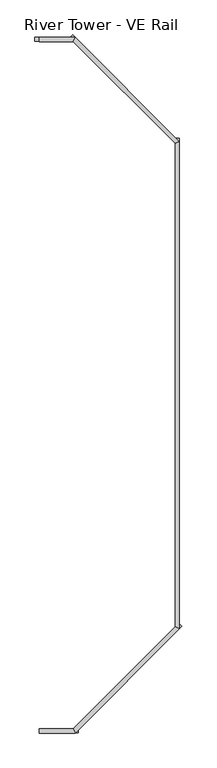
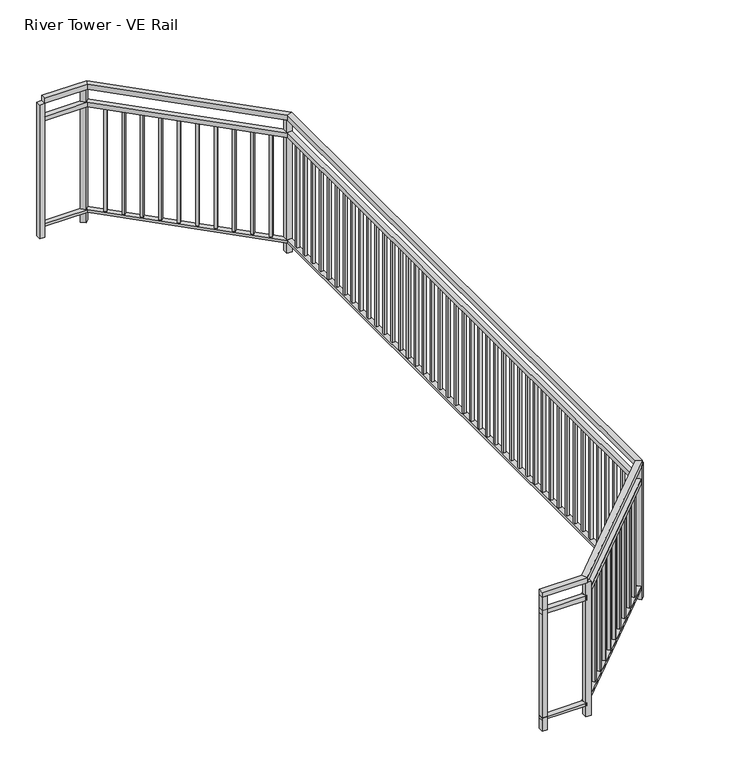
"""IFC4 building model written with IfcOpenShell, lengths in millimetres: railing geometry, River Tower - VE Rail."""

from ifc_helpers import new_model, si_unit, frame, origin, origin_with_axes, place, context, project, spatial, polyline, outline, extrude, faceted_brep, source, transform, mapped, element, save


def river_tower_ve_rail_48cc1a16(model_context):
    return source(origin(), model_context, "Body", "SolidModel", [
        faceted_brep([(1608.8862485, 1457.9109771, 1028.7), (1608.8862485, 1457.9109771, 1066.8), (1608.8862485, 1497.5984771, 1066.8), (1608.8862485, 1497.5984771, 1028.7), (1935.0570795, 1457.9109771, 1028.7), (1935.0570795, 1457.9109771, 1066.8), (1918.6179787, 1497.5984771, 1066.8), (1918.6179787, 1497.5984771, 1028.7), (2879.6799985, 2402.5338961, 1028.7), (2879.6799985, 2402.5338961, 1066.8), (2839.9924985, 2418.9729969, 1066.8), (2839.9924985, 2418.9729969, 1028.7), (2879.6799985, 6814.0755581, 1028.7), (2879.6799985, 6814.0755581, 1066.8), (2839.9924985, 6797.6364573, 1066.8), (2839.9924985, 6797.6364573, 1028.7), (1935.0570795, 7758.6984771, 1028.7), (1935.0570795, 7758.6984771, 1066.8), (1918.6179787, 7719.0109771, 1066.8), (1918.6179787, 7719.0109771, 1028.7), (1608.8862485, 7758.6984771, 1028.7), (1608.8862485, 7719.0109771, 1028.7), (1608.8862485, 7719.0109771, 1066.8), (1608.8862485, 7758.6984771, 1066.8)], [[[0, 1, 2, 3]], [[1, 0, 4, 5]], [[2, 1, 5, 6]], [[3, 2, 6, 7]], [[0, 3, 7, 4]], [[5, 4, 8, 9]], [[6, 5, 9, 10]], [[7, 6, 10, 11]], [[4, 7, 11, 8]], [[9, 8, 12, 13]], [[10, 9, 13, 14]], [[11, 10, 14, 15]], [[8, 11, 15, 12]], [[13, 12, 16, 17]], [[14, 13, 17, 18]], [[15, 14, 18, 19]], [[12, 15, 19, 16]], [[20, 21, 22, 23]], [[17, 16, 20, 23]], [[18, 17, 23, 22]], [[19, 18, 22, 21]], [[16, 19, 21, 20]]]),
        faceted_brep([(1608.8862485, 1460.0441802, 893.1671875), (1608.8862485, 1460.0441802, 927.1), (1608.8862485, 1495.465274, 927.1), (1608.8862485, 1495.465274, 893.1671875), (1934.1734778, 1460.0441802, 893.1671875), (1934.1734778, 1460.0441802, 927.1), (1919.5015804, 1495.465274, 927.1), (1919.5015804, 1495.465274, 893.1671875), (2877.5467954, 2403.4174978, 893.1671875), (2877.5467954, 2403.4174978, 927.1), (2842.1257016, 2418.0893952, 927.1), (2842.1257016, 2418.0893952, 893.1671875), (2877.5467954, 6813.1919564, 893.1671875), (2877.5467954, 6813.1919564, 927.1), (2842.1257016, 6798.520059, 927.1), (2842.1257016, 6798.520059, 893.1671875), (1934.1734778, 7756.565274, 893.1671875), (1934.1734778, 7756.565274, 927.1), (1919.5015804, 7721.1441802, 927.1), (1919.5015804, 7721.1441802, 893.1671875), (1608.8862485, 7756.565274, 893.1671875), (1608.8862485, 7721.1441802, 893.1671875), (1608.8862485, 7721.1441802, 927.1), (1608.8862485, 7756.565274, 927.1)], [[[0, 1, 2, 3]], [[1, 0, 4, 5]], [[2, 1, 5, 6]], [[3, 2, 6, 7]], [[0, 3, 7, 4]], [[5, 4, 8, 9]], [[6, 5, 9, 10]], [[7, 6, 10, 11]], [[4, 7, 11, 8]], [[9, 8, 12, 13]], [[10, 9, 13, 14]], [[11, 10, 14, 15]], [[8, 11, 15, 12]], [[13, 12, 16, 17]], [[14, 13, 17, 18]], [[15, 14, 18, 19]], [[12, 15, 19, 16]], [[20, 21, 22, 23]], [[17, 16, 20, 23]], [[18, 17, 23, 22]], [[19, 18, 22, 21]], [[16, 19, 21, 20]]]),
        faceted_brep([(1608.8862485, 1496.0732865, 82.55), (1608.8862485, 1459.4361677, 82.55), (1608.8862485, 1459.4361677, 101.6127), (1608.8862485, 1496.0732865, 101.6127), (1919.2497334, 1496.0732865, 82.55), (1934.4253248, 1459.4361677, 82.55), (1934.4253248, 1459.4361677, 101.6127), (1919.2497334, 1496.0732865, 101.6127), (2841.5176891, 2418.3412422, 82.55), (2878.1548079, 2403.1656507, 82.55), (2878.1548079, 2403.1656507, 101.6127), (2841.5176891, 2418.3412422, 101.6127), (2841.5176891, 6798.2682119, 82.55), (2878.1548079, 6813.4438034, 82.55), (2878.1548079, 6813.4438034, 101.6127), (2841.5176891, 6798.2682119, 101.6127), (1919.2497334, 7720.5361677, 82.55), (1934.4253248, 7757.1732865, 82.55), (1934.4253248, 7757.1732865, 101.6127), (1919.2497334, 7720.5361677, 101.6127), (1608.8862485, 7720.5361677, 82.55), (1608.8862485, 7720.5361677, 101.6127), (1608.8862485, 7757.1732865, 101.6127), (1608.8862485, 7757.1732865, 82.55)], [[[0, 1, 2, 3]], [[1, 0, 4, 5]], [[2, 1, 5, 6]], [[3, 2, 6, 7]], [[0, 3, 7, 4]], [[5, 4, 8, 9]], [[6, 5, 9, 10]], [[7, 6, 10, 11]], [[4, 7, 11, 8]], [[9, 8, 12, 13]], [[10, 9, 13, 14]], [[11, 10, 14, 15]], [[8, 11, 15, 12]], [[13, 12, 16, 17]], [[14, 13, 17, 18]], [[15, 14, 18, 19]], [[12, 15, 19, 16]], [[20, 21, 22, 23]], [[17, 16, 20, 23]], [[18, 17, 23, 22]], [[19, 18, 22, 21]], [[16, 19, 21, 20]]]),
        extrude(outline(polyline([(2011.6555945, 7640.5662775), (1998.1852103, 7654.0366617), (2011.6555945, 7667.5070459), (2025.1259787, 7654.0366617), (2011.6555945, 7640.5662775)])), frame((0.0, 0.0, 101.6127), z_axis=(0.0, 0.0, 1.0), x_axis=(1.0, 0.0, 0.0)), (0.0, 0.0, 1.0), 791.5544875),
        extrude(outline(polyline([(2096.4736599, 7555.7482121), (2083.0032757, 7569.2185963), (2096.4736599, 7582.6889805), (2109.9440441, 7569.2185963), (2096.4736599, 7555.7482121)])), frame((0.0, 0.0, 101.6127), z_axis=(0.0, 0.0, 1.0), x_axis=(1.0, 0.0, 0.0)), (0.0, 0.0, 1.0), 791.5544875),
        extrude(outline(polyline([(2181.2917253, 7470.9301467), (2167.8213411, 7484.4005309), (2181.2917253, 7497.8709151), (2194.7621095, 7484.4005309), (2181.2917253, 7470.9301467)])), frame((0.0, 0.0, 101.6127), z_axis=(0.0, 0.0, 1.0), x_axis=(1.0, 0.0, 0.0)), (0.0, 0.0, 1.0), 791.5544875),
        extrude(outline(polyline([(2266.1097907, 7386.1120813), (2252.6394065, 7399.5824655), (2266.1097907, 7413.0528497), (2279.5801749, 7399.5824655), (2266.1097907, 7386.1120813)])), frame((0.0, 0.0, 101.6127), z_axis=(0.0, 0.0, 1.0), x_axis=(1.0, 0.0, 0.0)), (0.0, 0.0, 1.0), 791.5544875),
        extrude(outline(polyline([(2350.9278561, 7301.2940159), (2337.4574719, 7314.7644001), (2350.9278561, 7328.2347843), (2364.3982403, 7314.7644001), (2350.9278561, 7301.2940159)])), frame((0.0, 0.0, 101.6127), z_axis=(0.0, 0.0, 1.0), x_axis=(1.0, 0.0, 0.0)), (0.0, 0.0, 1.0), 791.5544875),
        extrude(outline(polyline([(2435.7459215, 7216.4759505), (2422.2755373, 7229.9463347), (2435.7459215, 7243.4167189), (2449.2163057, 7229.9463347), (2435.7459215, 7216.4759505)])), frame((0.0, 0.0, 101.6127), z_axis=(0.0, 0.0, 1.0), x_axis=(1.0, 0.0, 0.0)), (0.0, 0.0, 1.0), 791.5544875),
        extrude(outline(polyline([(2520.5639869, 7131.6578851), (2507.0936027, 7145.1282693), (2520.5639869, 7158.5986535), (2534.0343711, 7145.1282693), (2520.5639869, 7131.6578851)])), frame((0.0, 0.0, 101.6127), z_axis=(0.0, 0.0, 1.0), x_axis=(1.0, 0.0, 0.0)), (0.0, 0.0, 1.0), 791.5544875),
        extrude(outline(polyline([(2605.3820523, 7046.8398197), (2591.9116681, 7060.3102039), (2605.3820523, 7073.7805881), (2618.8524365, 7060.3102039), (2605.3820523, 7046.8398197)])), frame((0.0, 0.0, 101.6127), z_axis=(0.0, 0.0, 1.0), x_axis=(1.0, 0.0, 0.0)), (0.0, 0.0, 1.0), 791.5544875),
        extrude(outline(polyline([(2690.2001177, 6962.0217543), (2676.7297335, 6975.4921385), (2690.2001177, 6988.9625227), (2703.6705019, 6975.4921385), (2690.2001177, 6962.0217543)])), frame((0.0, 0.0, 101.6127), z_axis=(0.0, 0.0, 1.0), x_axis=(1.0, 0.0, 0.0)), (0.0, 0.0, 1.0), 791.5544875),
        extrude(outline(polyline([(2775.0181831, 6877.2036889), (2761.5477989, 6890.6740731), (2775.0181831, 6904.1444573), (2788.4885673, 6890.6740731), (2775.0181831, 6877.2036889)])), frame((0.0, 0.0, 101.6127), z_axis=(0.0, 0.0, 1.0), x_axis=(1.0, 0.0, 0.0)), (0.0, 0.0, 1.0), 791.5544875),
        extrude(outline(polyline([(2850.3112485, 6696.4423131), (2850.3112485, 6715.4923131), (2869.3612485, 6715.4923131), (2869.3612485, 6696.4423131), (2850.3112485, 6696.4423131)])), frame((0.0, 0.0, 101.6127), z_axis=(0.0, 0.0, 1.0), x_axis=(1.0, 0.0, 0.0)), (0.0, 0.0, 1.0), 791.5544875),
        extrude(outline(polyline([(2850.3112485, 6596.5536185), (2850.3112485, 6615.6036185), (2869.3612485, 6615.6036185), (2869.3612485, 6596.5536185), (2850.3112485, 6596.5536185)])), frame((0.0, 0.0, 101.6127), z_axis=(0.0, 0.0, 1.0), x_axis=(1.0, 0.0, 0.0)), (0.0, 0.0, 1.0), 791.5544875),
        extrude(outline(polyline([(2850.3112485, 6496.664924), (2850.3112485, 6515.714924), (2869.3612485, 6515.714924), (2869.3612485, 6496.664924), (2850.3112485, 6496.664924)])), frame((0.0, 0.0, 101.6127), z_axis=(0.0, 0.0, 1.0), x_axis=(1.0, 0.0, 0.0)), (0.0, 0.0, 1.0), 791.5544875),
        extrude(outline(polyline([(2850.3112485, 6396.7762294), (2850.3112485, 6415.8262294), (2869.3612485, 6415.8262294), (2869.3612485, 6396.7762294), (2850.3112485, 6396.7762294)])), frame((0.0, 0.0, 101.6127), z_axis=(0.0, 0.0, 1.0), x_axis=(1.0, 0.0, 0.0)), (0.0, 0.0, 1.0), 791.5544875),
        extrude(outline(polyline([(2850.3112485, 6296.8875348), (2850.3112485, 6315.9375348), (2869.3612485, 6315.9375348), (2869.3612485, 6296.8875348), (2850.3112485, 6296.8875348)])), frame((0.0, 0.0, 101.6127), z_axis=(0.0, 0.0, 1.0), x_axis=(1.0, 0.0, 0.0)), (0.0, 0.0, 1.0), 791.5544875),
        extrude(outline(polyline([(2850.3112485, 6196.9988402), (2850.3112485, 6216.0488402), (2869.3612485, 6216.0488402), (2869.3612485, 6196.9988402), (2850.3112485, 6196.9988402)])), frame((0.0, 0.0, 101.6127), z_axis=(0.0, 0.0, 1.0), x_axis=(1.0, 0.0, 0.0)), (0.0, 0.0, 1.0), 791.5544875),
        extrude(outline(polyline([(2850.3112485, 6097.1101457), (2850.3112485, 6116.1601457), (2869.3612485, 6116.1601457), (2869.3612485, 6097.1101457), (2850.3112485, 6097.1101457)])), frame((0.0, 0.0, 101.6127), z_axis=(0.0, 0.0, 1.0), x_axis=(1.0, 0.0, 0.0)), (0.0, 0.0, 1.0), 791.5544875),
        extrude(outline(polyline([(2850.3112485, 5997.2214511), (2850.3112485, 6016.2714511), (2869.3612485, 6016.2714511), (2869.3612485, 5997.2214511), (2850.3112485, 5997.2214511)])), frame((0.0, 0.0, 101.6127), z_axis=(0.0, 0.0, 1.0), x_axis=(1.0, 0.0, 0.0)), (0.0, 0.0, 1.0), 791.5544875),
        extrude(outline(polyline([(2850.3112485, 5897.3327565), (2850.3112485, 5916.3827565), (2869.3612485, 5916.3827565), (2869.3612485, 5897.3327565), (2850.3112485, 5897.3327565)])), frame((0.0, 0.0, 101.6127), z_axis=(0.0, 0.0, 1.0), x_axis=(1.0, 0.0, 0.0)), (0.0, 0.0, 1.0), 791.5544875),
        extrude(outline(polyline([(2850.3112485, 5797.444062), (2850.3112485, 5816.494062), (2869.3612485, 5816.494062), (2869.3612485, 5797.444062), (2850.3112485, 5797.444062)])), frame((0.0, 0.0, 101.6127), z_axis=(0.0, 0.0, 1.0), x_axis=(1.0, 0.0, 0.0)), (0.0, 0.0, 1.0), 791.5544875),
        extrude(outline(polyline([(2850.3112485, 5697.5553674), (2850.3112485, 5716.6053674), (2869.3612485, 5716.6053674), (2869.3612485, 5697.5553674), (2850.3112485, 5697.5553674)])), frame((0.0, 0.0, 101.6127), z_axis=(0.0, 0.0, 1.0), x_axis=(1.0, 0.0, 0.0)), (0.0, 0.0, 1.0), 791.5544875),
        extrude(outline(polyline([(2850.3112485, 5597.6666728), (2850.3112485, 5616.7166728), (2869.3612485, 5616.7166728), (2869.3612485, 5597.6666728), (2850.3112485, 5597.6666728)])), frame((0.0, 0.0, 101.6127), z_axis=(0.0, 0.0, 1.0), x_axis=(1.0, 0.0, 0.0)), (0.0, 0.0, 1.0), 791.5544875),
        extrude(outline(polyline([(2850.3112485, 5497.7779782), (2850.3112485, 5516.8279782), (2869.3612485, 5516.8279782), (2869.3612485, 5497.7779782), (2850.3112485, 5497.7779782)])), frame((0.0, 0.0, 101.6127), z_axis=(0.0, 0.0, 1.0), x_axis=(1.0, 0.0, 0.0)), (0.0, 0.0, 1.0), 791.5544875),
        extrude(outline(polyline([(2850.3112485, 5397.8892837), (2850.3112485, 5416.9392837), (2869.3612485, 5416.9392837), (2869.3612485, 5397.8892837), (2850.3112485, 5397.8892837)])), frame((0.0, 0.0, 101.6127), z_axis=(0.0, 0.0, 1.0), x_axis=(1.0, 0.0, 0.0)), (0.0, 0.0, 1.0), 791.5544875),
        extrude(outline(polyline([(2850.3112485, 5298.0005891), (2850.3112485, 5317.0505891), (2869.3612485, 5317.0505891), (2869.3612485, 5298.0005891), (2850.3112485, 5298.0005891)])), frame((0.0, 0.0, 101.6127), z_axis=(0.0, 0.0, 1.0), x_axis=(1.0, 0.0, 0.0)), (0.0, 0.0, 1.0), 791.5544875),
        extrude(outline(polyline([(2850.3112485, 5198.1118945), (2850.3112485, 5217.1618945), (2869.3612485, 5217.1618945), (2869.3612485, 5198.1118945), (2850.3112485, 5198.1118945)])), frame((0.0, 0.0, 101.6127), z_axis=(0.0, 0.0, 1.0), x_axis=(1.0, 0.0, 0.0)), (0.0, 0.0, 1.0), 791.5544875),
        extrude(outline(polyline([(2850.3112485, 5098.2231999), (2850.3112485, 5117.2731999), (2869.3612485, 5117.2731999), (2869.3612485, 5098.2231999), (2850.3112485, 5098.2231999)])), frame((0.0, 0.0, 101.6127), z_axis=(0.0, 0.0, 1.0), x_axis=(1.0, 0.0, 0.0)), (0.0, 0.0, 1.0), 791.5544875),
        extrude(outline(polyline([(2850.3112485, 4998.3345054), (2850.3112485, 5017.3845054), (2869.3612485, 5017.3845054), (2869.3612485, 4998.3345054), (2850.3112485, 4998.3345054)])), frame((0.0, 0.0, 101.6127), z_axis=(0.0, 0.0, 1.0), x_axis=(1.0, 0.0, 0.0)), (0.0, 0.0, 1.0), 791.5544875),
        extrude(outline(polyline([(2850.3112485, 4898.4458108), (2850.3112485, 4917.4958108), (2869.3612485, 4917.4958108), (2869.3612485, 4898.4458108), (2850.3112485, 4898.4458108)])), frame((0.0, 0.0, 101.6127), z_axis=(0.0, 0.0, 1.0), x_axis=(1.0, 0.0, 0.0)), (0.0, 0.0, 1.0), 791.5544875),
        extrude(outline(polyline([(2850.3112485, 4798.5571162), (2850.3112485, 4817.6071162), (2869.3612485, 4817.6071162), (2869.3612485, 4798.5571162), (2850.3112485, 4798.5571162)])), frame((0.0, 0.0, 101.6127), z_axis=(0.0, 0.0, 1.0), x_axis=(1.0, 0.0, 0.0)), (0.0, 0.0, 1.0), 791.5544875),
        extrude(outline(polyline([(2850.3112485, 4698.6684217), (2850.3112485, 4717.7184217), (2869.3612485, 4717.7184217), (2869.3612485, 4698.6684217), (2850.3112485, 4698.6684217)])), frame((0.0, 0.0, 101.6127), z_axis=(0.0, 0.0, 1.0), x_axis=(1.0, 0.0, 0.0)), (0.0, 0.0, 1.0), 791.5544875),
        extrude(outline(polyline([(2850.3112485, 4598.7797271), (2850.3112485, 4617.8297271), (2869.3612485, 4617.8297271), (2869.3612485, 4598.7797271), (2850.3112485, 4598.7797271)])), frame((0.0, 0.0, 101.6127), z_axis=(0.0, 0.0, 1.0), x_axis=(1.0, 0.0, 0.0)), (0.0, 0.0, 1.0), 791.5544875),
        extrude(outline(polyline([(2850.3112485, 4498.8910325), (2850.3112485, 4517.9410325), (2869.3612485, 4517.9410325), (2869.3612485, 4498.8910325), (2850.3112485, 4498.8910325)])), frame((0.0, 0.0, 101.6127), z_axis=(0.0, 0.0, 1.0), x_axis=(1.0, 0.0, 0.0)), (0.0, 0.0, 1.0), 791.5544875),
        extrude(outline(polyline([(2850.3112485, 4399.0023379), (2850.3112485, 4418.0523379), (2869.3612485, 4418.0523379), (2869.3612485, 4399.0023379), (2850.3112485, 4399.0023379)])), frame((0.0, 0.0, 101.6127), z_axis=(0.0, 0.0, 1.0), x_axis=(1.0, 0.0, 0.0)), (0.0, 0.0, 1.0), 791.5544875),
        extrude(outline(polyline([(2850.3112485, 4299.1136434), (2850.3112485, 4318.1636434), (2869.3612485, 4318.1636434), (2869.3612485, 4299.1136434), (2850.3112485, 4299.1136434)])), frame((0.0, 0.0, 101.6127), z_axis=(0.0, 0.0, 1.0), x_axis=(1.0, 0.0, 0.0)), (0.0, 0.0, 1.0), 791.5544875),
        extrude(outline(polyline([(2850.3112485, 4199.2249488), (2850.3112485, 4218.2749488), (2869.3612485, 4218.2749488), (2869.3612485, 4199.2249488), (2850.3112485, 4199.2249488)])), frame((0.0, 0.0, 101.6127), z_axis=(0.0, 0.0, 1.0), x_axis=(1.0, 0.0, 0.0)), (0.0, 0.0, 1.0), 791.5544875),
        extrude(outline(polyline([(2850.3112485, 4099.3362542), (2850.3112485, 4118.3862542), (2869.3612485, 4118.3862542), (2869.3612485, 4099.3362542), (2850.3112485, 4099.3362542)])), frame((0.0, 0.0, 101.6127), z_axis=(0.0, 0.0, 1.0), x_axis=(1.0, 0.0, 0.0)), (0.0, 0.0, 1.0), 791.5544875),
        extrude(outline(polyline([(2850.3112485, 3999.4475596), (2850.3112485, 4018.4975596), (2869.3612485, 4018.4975596), (2869.3612485, 3999.4475596), (2850.3112485, 3999.4475596)])), frame((0.0, 0.0, 101.6127), z_axis=(0.0, 0.0, 1.0), x_axis=(1.0, 0.0, 0.0)), (0.0, 0.0, 1.0), 791.5544875),
        extrude(outline(polyline([(2850.3112485, 3899.5588651), (2850.3112485, 3918.6088651), (2869.3612485, 3918.6088651), (2869.3612485, 3899.5588651), (2850.3112485, 3899.5588651)])), frame((0.0, 0.0, 101.6127), z_axis=(0.0, 0.0, 1.0), x_axis=(1.0, 0.0, 0.0)), (0.0, 0.0, 1.0), 791.5544875),
        extrude(outline(polyline([(2850.3112485, 3799.6701705), (2850.3112485, 3818.7201705), (2869.3612485, 3818.7201705), (2869.3612485, 3799.6701705), (2850.3112485, 3799.6701705)])), frame((0.0, 0.0, 101.6127), z_axis=(0.0, 0.0, 1.0), x_axis=(1.0, 0.0, 0.0)), (0.0, 0.0, 1.0), 791.5544875),
        extrude(outline(polyline([(2850.3112485, 3699.7814759), (2850.3112485, 3718.8314759), (2869.3612485, 3718.8314759), (2869.3612485, 3699.7814759), (2850.3112485, 3699.7814759)])), frame((0.0, 0.0, 101.6127), z_axis=(0.0, 0.0, 1.0), x_axis=(1.0, 0.0, 0.0)), (0.0, 0.0, 1.0), 791.5544875),
        extrude(outline(polyline([(2850.3112485, 3599.8927814), (2850.3112485, 3618.9427814), (2869.3612485, 3618.9427814), (2869.3612485, 3599.8927814), (2850.3112485, 3599.8927814)])), frame((0.0, 0.0, 101.6127), z_axis=(0.0, 0.0, 1.0), x_axis=(1.0, 0.0, 0.0)), (0.0, 0.0, 1.0), 791.5544875),
        extrude(outline(polyline([(2850.3112485, 3500.0040868), (2850.3112485, 3519.0540868), (2869.3612485, 3519.0540868), (2869.3612485, 3500.0040868), (2850.3112485, 3500.0040868)])), frame((0.0, 0.0, 101.6127), z_axis=(0.0, 0.0, 1.0), x_axis=(1.0, 0.0, 0.0)), (0.0, 0.0, 1.0), 791.5544875),
        extrude(outline(polyline([(2850.3112485, 3400.1153922), (2850.3112485, 3419.1653922), (2869.3612485, 3419.1653922), (2869.3612485, 3400.1153922), (2850.3112485, 3400.1153922)])), frame((0.0, 0.0, 101.6127), z_axis=(0.0, 0.0, 1.0), x_axis=(1.0, 0.0, 0.0)), (0.0, 0.0, 1.0), 791.5544875),
        extrude(outline(polyline([(2850.3112485, 3300.2266976), (2850.3112485, 3319.2766976), (2869.3612485, 3319.2766976), (2869.3612485, 3300.2266976), (2850.3112485, 3300.2266976)])), frame((0.0, 0.0, 101.6127), z_axis=(0.0, 0.0, 1.0), x_axis=(1.0, 0.0, 0.0)), (0.0, 0.0, 1.0), 791.5544875),
        extrude(outline(polyline([(2850.3112485, 3200.3380031), (2850.3112485, 3219.3880031), (2869.3612485, 3219.3880031), (2869.3612485, 3200.3380031), (2850.3112485, 3200.3380031)])), frame((0.0, 0.0, 101.6127), z_axis=(0.0, 0.0, 1.0), x_axis=(1.0, 0.0, 0.0)), (0.0, 0.0, 1.0), 791.5544875),
        extrude(outline(polyline([(2850.3112485, 3100.4493085), (2850.3112485, 3119.4993085), (2869.3612485, 3119.4993085), (2869.3612485, 3100.4493085), (2850.3112485, 3100.4493085)])), frame((0.0, 0.0, 101.6127), z_axis=(0.0, 0.0, 1.0), x_axis=(1.0, 0.0, 0.0)), (0.0, 0.0, 1.0), 791.5544875),
        extrude(outline(polyline([(2850.3112485, 3000.5606139), (2850.3112485, 3019.6106139), (2869.3612485, 3019.6106139), (2869.3612485, 3000.5606139), (2850.3112485, 3000.5606139)])), frame((0.0, 0.0, 101.6127), z_axis=(0.0, 0.0, 1.0), x_axis=(1.0, 0.0, 0.0)), (0.0, 0.0, 1.0), 791.5544875),
        extrude(outline(polyline([(2850.3112485, 2900.6719193), (2850.3112485, 2919.7219193), (2869.3612485, 2919.7219193), (2869.3612485, 2900.6719193), (2850.3112485, 2900.6719193)])), frame((0.0, 0.0, 101.6127), z_axis=(0.0, 0.0, 1.0), x_axis=(1.0, 0.0, 0.0)), (0.0, 0.0, 1.0), 791.5544875),
        extrude(outline(polyline([(2850.3112485, 2800.7832248), (2850.3112485, 2819.8332248), (2869.3612485, 2819.8332248), (2869.3612485, 2800.7832248), (2850.3112485, 2800.7832248)])), frame((0.0, 0.0, 101.6127), z_axis=(0.0, 0.0, 1.0), x_axis=(1.0, 0.0, 0.0)), (0.0, 0.0, 1.0), 791.5544875),
        extrude(outline(polyline([(2850.3112485, 2700.8945302), (2850.3112485, 2719.9445302), (2869.3612485, 2719.9445302), (2869.3612485, 2700.8945302), (2850.3112485, 2700.8945302)])), frame((0.0, 0.0, 101.6127), z_axis=(0.0, 0.0, 1.0), x_axis=(1.0, 0.0, 0.0)), (0.0, 0.0, 1.0), 791.5544875),
        extrude(outline(polyline([(2850.3112485, 2601.0058356), (2850.3112485, 2620.0558356), (2869.3612485, 2620.0558356), (2869.3612485, 2601.0058356), (2850.3112485, 2601.0058356)])), frame((0.0, 0.0, 101.6127), z_axis=(0.0, 0.0, 1.0), x_axis=(1.0, 0.0, 0.0)), (0.0, 0.0, 1.0), 791.5544875),
        extrude(outline(polyline([(2850.3112485, 2501.117141), (2850.3112485, 2520.167141), (2869.3612485, 2520.167141), (2869.3612485, 2501.117141), (2850.3112485, 2501.117141)])), frame((0.0, 0.0, 101.6127), z_axis=(0.0, 0.0, 1.0), x_axis=(1.0, 0.0, 0.0)), (0.0, 0.0, 1.0), 791.5544875),
        extrude(outline(polyline([(2761.5477989, 2325.9353811), (2775.0181831, 2339.4057653), (2788.4885673, 2325.9353811), (2775.0181831, 2312.4649969), (2761.5477989, 2325.9353811)])), frame((0.0, 0.0, 101.6127), z_axis=(0.0, 0.0, 1.0), x_axis=(1.0, 0.0, 0.0)), (0.0, 0.0, 1.0), 791.5544875),
        extrude(outline(polyline([(2676.7297335, 2241.1173157), (2690.2001177, 2254.5876999), (2703.6705019, 2241.1173157), (2690.2001177, 2227.6469315), (2676.7297335, 2241.1173157)])), frame((0.0, 0.0, 101.6127), z_axis=(0.0, 0.0, 1.0), x_axis=(1.0, 0.0, 0.0)), (0.0, 0.0, 1.0), 791.5544875),
        extrude(outline(polyline([(2591.9116681, 2156.2992503), (2605.3820523, 2169.7696345), (2618.8524365, 2156.2992503), (2605.3820523, 2142.8288661), (2591.9116681, 2156.2992503)])), frame((0.0, 0.0, 101.6127), z_axis=(0.0, 0.0, 1.0), x_axis=(1.0, 0.0, 0.0)), (0.0, 0.0, 1.0), 791.5544875),
        extrude(outline(polyline([(2507.0936027, 2071.4811849), (2520.5639869, 2084.9515691), (2534.0343711, 2071.4811849), (2520.5639869, 2058.0108007), (2507.0936027, 2071.4811849)])), frame((0.0, 0.0, 101.6127), z_axis=(0.0, 0.0, 1.0), x_axis=(1.0, 0.0, 0.0)), (0.0, 0.0, 1.0), 791.5544875),
        extrude(outline(polyline([(2422.2755373, 1986.6631195), (2435.7459215, 2000.1335037), (2449.2163057, 1986.6631195), (2435.7459215, 1973.1927353), (2422.2755373, 1986.6631195)])), frame((0.0, 0.0, 101.6127), z_axis=(0.0, 0.0, 1.0), x_axis=(1.0, 0.0, 0.0)), (0.0, 0.0, 1.0), 791.5544875),
        extrude(outline(polyline([(2337.4574719, 1901.8450541), (2350.9278561, 1915.3154383), (2364.3982403, 1901.8450541), (2350.9278561, 1888.3746699), (2337.4574719, 1901.8450541)])), frame((0.0, 0.0, 101.6127), z_axis=(0.0, 0.0, 1.0), x_axis=(1.0, 0.0, 0.0)), (0.0, 0.0, 1.0), 791.5544875),
        extrude(outline(polyline([(2252.6394065, 1817.0269887), (2266.1097907, 1830.4973729), (2279.5801749, 1817.0269887), (2266.1097907, 1803.5566045), (2252.6394065, 1817.0269887)])), frame((0.0, 0.0, 101.6127), z_axis=(0.0, 0.0, 1.0), x_axis=(1.0, 0.0, 0.0)), (0.0, 0.0, 1.0), 791.5544875),
        extrude(outline(polyline([(2167.8213411, 1732.2089233), (2181.2917253, 1745.6793075), (2194.7621095, 1732.2089233), (2181.2917253, 1718.7385391), (2167.8213411, 1732.2089233)])), frame((0.0, 0.0, 101.6127), z_axis=(0.0, 0.0, 1.0), x_axis=(1.0, 0.0, 0.0)), (0.0, 0.0, 1.0), 791.5544875),
        extrude(outline(polyline([(2083.0032757, 1647.3908579), (2096.4736599, 1660.8612421), (2109.9440441, 1647.3908579), (2096.4736599, 1633.9204737), (2083.0032757, 1647.3908579)])), frame((0.0, 0.0, 101.6127), z_axis=(0.0, 0.0, 1.0), x_axis=(1.0, 0.0, 0.0)), (0.0, 0.0, 1.0), 791.5544875),
        extrude(outline(polyline([(1998.1852103, 1562.5727925), (2011.6555945, 1576.0431767), (2025.1259787, 1562.5727925), (2011.6555945, 1549.1024083), (1998.1852103, 1562.5727925)])), frame((0.0, 0.0, 101.6127), z_axis=(0.0, 0.0, 1.0), x_axis=(1.0, 0.0, 0.0)), (0.0, 0.0, 1.0), 791.5544875),
        extrude(outline(polyline([(1913.3671449, 7779.2658796), (1940.3079133, 7752.3251113), (1913.3671449, 7725.3843429), (1886.4263766, 7752.3251113), (1913.3671449, 7779.2658796)])), origin_with_axes(), (0.0, 0.0, 1.0), 1028.7),
        extrude(outline(polyline([(2878.8862485, 6843.9560077), (2878.8862485, 6805.8560077), (2840.7862485, 6805.8560077), (2840.7862485, 6843.9560077), (2878.8862485, 6843.9560077)])), origin_with_axes(), (0.0, 0.0, 1.0), 1028.7),
        extrude(outline(polyline([(2900.247401, 2424.2238307), (2873.3066327, 2397.2830623), (2846.3658643, 2424.2238307), (2873.3066327, 2451.164599), (2900.247401, 2424.2238307)])), origin_with_axes(), (0.0, 0.0, 1.0), 1028.7),
        extrude(outline(polyline([(1964.9375291, 1458.7047271), (1926.8375291, 1458.7047271), (1926.8375291, 1496.8047271), (1964.9375291, 1496.8047271), (1964.9375291, 1458.7047271)])), origin_with_axes(), (0.0, 0.0, 1.0), 1028.7),
        extrude(outline(polyline([(1570.7862485, 7757.9047271), (1608.8862485, 7757.9047271), (1608.8862485, 7719.8047271), (1570.7862485, 7719.8047271), (1570.7862485, 7757.9047271)])), origin_with_axes(), (0.0, 0.0, 1.0), 1028.7),
        extrude(outline(polyline([(1646.9862485, 1458.7047271), (1608.8862485, 1458.7047271), (1608.8862485, 1496.8047271), (1646.9862485, 1496.8047271), (1646.9862485, 1458.7047271)])), origin_with_axes(), (0.0, 0.0, 1.0), 1028.7),
    ])


if __name__ == "__main__":
    model = new_model("IFC4")
    model_context = context("Model", 3, world=origin())
    ifc_project = project(units=[si_unit("LENGTHUNIT", "METRE", prefix="MILLI")], contexts=[model_context])
    site = spatial("IfcSite", under=ifc_project)
    building = spatial("IfcBuilding", under=site)
    placement = place(None, origin())
    river_tower_ve_rail_shape = river_tower_ve_rail_48cc1a16(model_context)
    element("IfcRailing", 1, ObjectType="River Tower - VE Rail", at=placement, inside=building, context=model_context, shape_type="MappedRepresentation", body=[
        mapped(river_tower_ve_rail_shape, transform((0.0, 0.0, 0.0), x_axis=(1.0, 0.0, 0.0), y_axis=(0.0, 1.0, 0.0), z_axis=(0.0, 0.0, 1.0))),
    ])
    save(model, "model.ifc")
